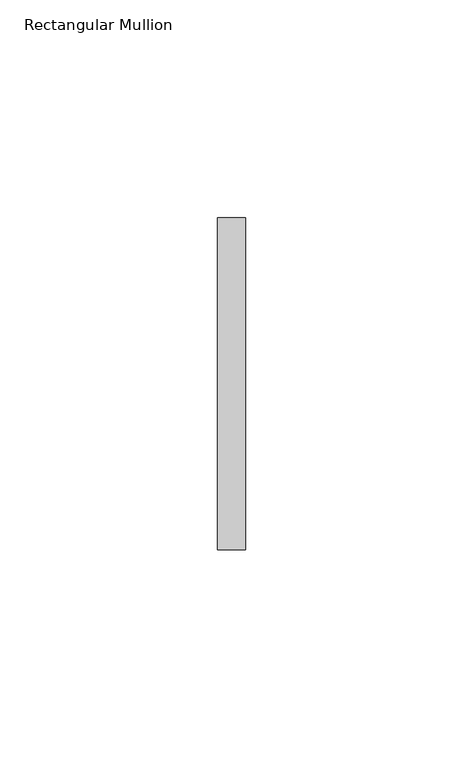
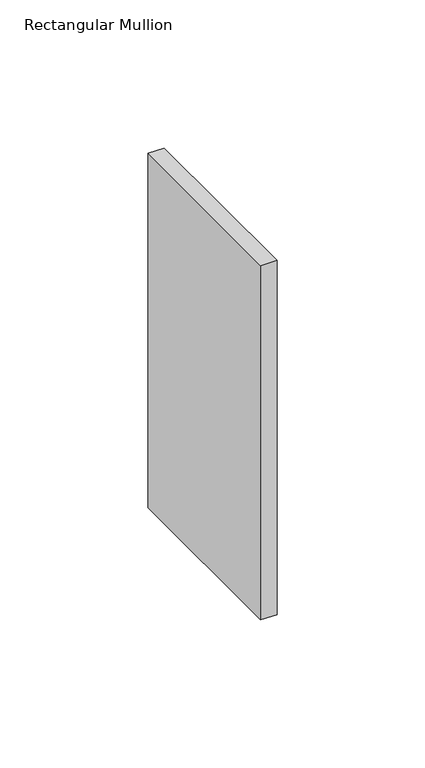
"""IFC4 building model written with IfcOpenShell, lengths in millimetres: member geometry, Rectangular Mullion."""

from ifc_helpers import new_model, si_unit, frame, origin, place, context, project, spatial, polyline, outline, extrude, source, transform, mapped, element, save


def rectangular_mullion_aab6ef51(model_context):
    return source(origin(), model_context, "Body", "SweptSolid", [
        extrude(outline(polyline([(0.0, 38.1), (0.0, -38.1), (-6.35, -38.1), (-6.35, 38.1), (0.0, 38.1)])), frame((0.0, 0.0, -146.0499997), z_axis=(0.0, 0.0, 1.0), x_axis=(1.0, 0.0, 0.0)), (0.0, 0.0, 1.0), 146.0499997),
    ])


if __name__ == "__main__":
    model = new_model("IFC4")
    model_context = context("Model", 3, world=origin())
    ifc_project = project(units=[si_unit("LENGTHUNIT", "METRE", prefix="MILLI")], contexts=[model_context])
    site = spatial("IfcSite", under=ifc_project)
    building = spatial("IfcBuilding", under=site)
    placement = place(None, origin())
    rectangular_mullion_shape = rectangular_mullion_aab6ef51(model_context)
    element("IfcMember", 1, ObjectType="Rectangular Mullion", at=placement, inside=building, context=model_context, shape_type="MappedRepresentation", body=[
        mapped(rectangular_mullion_shape, transform((0.0, 0.0, 0.0), x_axis=(1.0, 0.0, 0.0), y_axis=(0.0, 1.0, 0.0), z_axis=(0.0, 0.0, 1.0))),
    ])
    save(model, "model.ifc")
